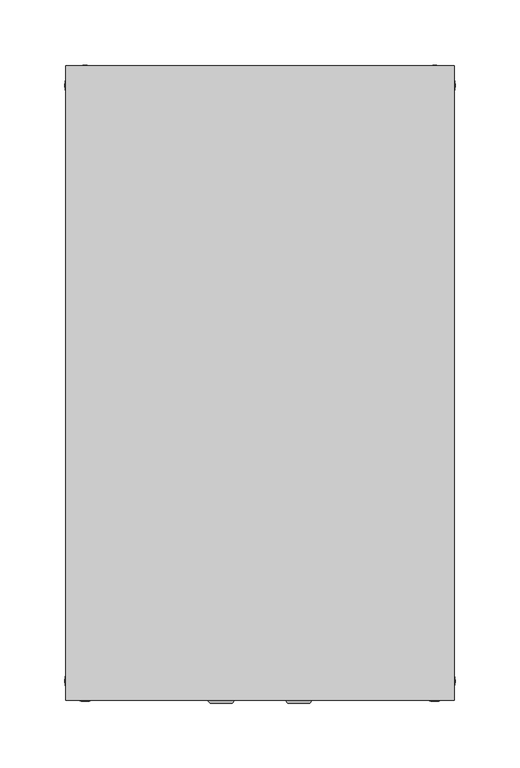
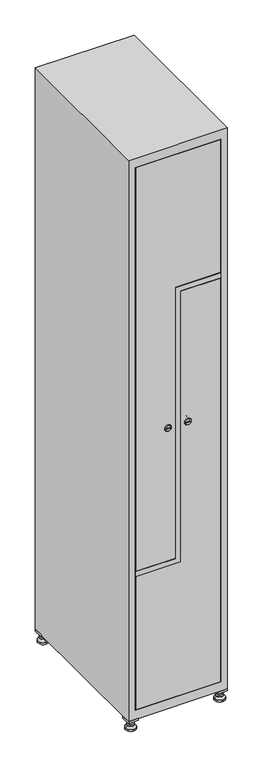
"""IFC4 building model written with IfcOpenShell, lengths in millimetres: furniture geometry."""

from ifc_helpers import new_model, si_unit, point, frame, frame_2d, origin, origin_with_axes, place, context, project, spatial, polyline, circle_curve, trimmed, segment, composite_curve, outline, extrude, faceted_brep, source, transform, mapped, element, save
from ifc_brep_helpers import plane_surface, revolved_surface, advanced_brep


def furniture_01998be9(model_context):
    return source(origin(), model_context, "Body", "SolidModel", [
        extrude(outline(polyline([(100.0, 245.0), (100.0, 215.0), (70.0, 215.0), (70.0, 245.0), (100.0, 245.0)]), holes=[polyline([(98.0, 243.0), (72.0, 243.0), (72.0, 217.0), (98.0, 217.0), (98.0, 243.0)])]), frame((0.0, 0.0, 28.5), z_axis=(0.0, 0.0, 1.0), x_axis=(1.0, 0.0, 0.0)), (0.0, 0.0, 1.0), 6.5),
        extrude(outline(polyline([(70.0, -245.0), (70.0, -215.0), (100.0, -215.0), (100.0, -245.0), (70.0, -245.0)]), holes=[polyline([(72.0, -243.0), (98.0, -243.0), (98.0, -217.0), (72.0, -217.0), (72.0, -243.0)])]), frame((0.0, 0.0, 28.5), z_axis=(0.0, 0.0, 1.0), x_axis=(1.0, 0.0, 0.0)), (0.0, 0.0, 1.0), 6.5),
        extrude(outline(polyline([(-170.0, 245.0), (-170.0, 215.0), (-200.0, 215.0), (-200.0, 245.0), (-170.0, 245.0)]), holes=[polyline([(-172.0, 243.0), (-198.0, 243.0), (-198.0, 217.0), (-172.0, 217.0), (-172.0, 243.0)])]), frame((0.0, 0.0, 28.5), z_axis=(0.0, 0.0, 1.0), x_axis=(1.0, 0.0, 0.0)), (0.0, 0.0, 1.0), 6.5),
        extrude(outline(polyline([(-170.0, -215.0), (-170.0, -245.0), (-200.0, -245.0), (-200.0, -215.0), (-170.0, -215.0)]), holes=[polyline([(-198.0, -243.0), (-172.0, -243.0), (-172.0, -217.0), (-198.0, -217.0), (-198.0, -243.0)])]), frame((0.0, 0.0, 28.5), z_axis=(0.0, 0.0, 1.0), x_axis=(1.0, 0.0, 0.0)), (0.0, 0.0, 1.0), 6.5),
        extrude(outline(composite_curve([segment(trimmed(circle_curve(frame_2d((-185.0, 230.0)), 5.0), [point((-180.0, 230.0))], [point((-190.0, 230.0))], False, "CARTESIAN"), True, "CONTINUOUS"), segment(trimmed(circle_curve(frame_2d((-185.0, 230.0)), 5.0), [point((-190.0, 230.0))], [point((-180.0, 230.0))], False, "CARTESIAN"), True, "CONTINUOUS")], self_intersect=False)), frame((0.0, 0.0, 19.6), z_axis=(0.0, 0.0, 1.0), x_axis=(1.0, 0.0, 0.0)), (0.0, 0.0, 1.0), 15.4),
        extrude(outline(composite_curve([segment(trimmed(circle_curve(frame_2d((-185.0, -230.0)), 5.0), [point((-180.0, -230.0))], [point((-190.0, -230.0))], False, "CARTESIAN"), True, "CONTINUOUS"), segment(trimmed(circle_curve(frame_2d((-185.0, -230.0)), 5.0), [point((-190.0, -230.0))], [point((-180.0, -230.0))], False, "CARTESIAN"), True, "CONTINUOUS")], self_intersect=False)), frame((0.0, 0.0, 19.6), z_axis=(0.0, 0.0, 1.0), x_axis=(1.0, 0.0, 0.0)), (0.0, 0.0, 1.0), 15.4),
        extrude(outline(composite_curve([segment(trimmed(circle_curve(frame_2d((85.0, 230.0)), 5.0), [point((90.0, 230.0))], [point((80.0, 230.0))], False, "CARTESIAN"), True, "CONTINUOUS"), segment(trimmed(circle_curve(frame_2d((85.0, 230.0)), 5.0), [point((80.0, 230.0))], [point((90.0, 230.0))], False, "CARTESIAN"), True, "CONTINUOUS")], self_intersect=False)), frame((0.0, 0.0, 19.6), z_axis=(0.0, 0.0, 1.0), x_axis=(1.0, 0.0, 0.0)), (0.0, 0.0, 1.0), 15.4),
        extrude(outline(polyline([(73.4529946, 230.0), (79.2264973, 240.0), (90.7735027, 240.0), (96.5470054, 230.0), (90.7735027, 220.0), (79.2264973, 220.0), (73.4529946, 230.0)])), frame((0.0, 0.0, 13.6), z_axis=(0.0, 0.0, 1.0), x_axis=(1.0, 0.0, 0.0)), (0.0, 0.0, 1.0), 6.0),
        extrude(outline(composite_curve([segment(trimmed(circle_curve(frame_2d((85.0, -230.0)), 5.0), [point((90.0, -230.0))], [point((80.0, -230.0))], False, "CARTESIAN"), True, "CONTINUOUS"), segment(trimmed(circle_curve(frame_2d((85.0, -230.0)), 5.0), [point((80.0, -230.0))], [point((90.0, -230.0))], False, "CARTESIAN"), True, "CONTINUOUS")], self_intersect=False)), frame((0.0, 0.0, 19.6), z_axis=(0.0, 0.0, 1.0), x_axis=(1.0, 0.0, 0.0)), (0.0, 0.0, 1.0), 15.4),
        extrude(outline(polyline([(73.4529946, -230.0), (79.2264973, -220.0), (90.7735027, -220.0), (96.5470054, -230.0), (90.7735027, -240.0), (79.2264973, -240.0), (73.4529946, -230.0)])), frame((0.0, 0.0, 13.6), z_axis=(0.0, 0.0, 1.0), x_axis=(1.0, 0.0, 0.0)), (0.0, 0.0, 1.0), 6.0),
        extrude(outline(composite_curve([segment(trimmed(circle_curve(frame_2d((85.0, 230.0)), 5.0), [point((90.0, 230.0))], [point((80.0, 230.0))], False, "CARTESIAN"), True, "CONTINUOUS"), segment(trimmed(circle_curve(frame_2d((85.0, 230.0)), 5.0), [point((80.0, 230.0))], [point((90.0, 230.0))], False, "CARTESIAN"), True, "CONTINUOUS")], self_intersect=False)), frame((0.0, 0.0, 12.1), z_axis=(0.0, 0.0, 1.0), x_axis=(1.0, 0.0, 0.0)), (0.0, 0.0, 1.0), 1.5),
        extrude(outline(composite_curve([segment(trimmed(circle_curve(frame_2d((85.0, -230.0)), 5.0), [point((90.0, -230.0))], [point((80.0, -230.0))], False, "CARTESIAN"), True, "CONTINUOUS"), segment(trimmed(circle_curve(frame_2d((85.0, -230.0)), 5.0), [point((80.0, -230.0))], [point((90.0, -230.0))], False, "CARTESIAN"), True, "CONTINUOUS")], self_intersect=False)), frame((0.0, 0.0, 12.1), z_axis=(0.0, 0.0, 1.0), x_axis=(1.0, 0.0, 0.0)), (0.0, 0.0, 1.0), 1.5),
        extrude(outline(polyline([(-196.5470054, 230.0), (-190.7735027, 240.0), (-179.2264973, 240.0), (-173.4529946, 230.0), (-179.2264973, 220.0), (-190.7735027, 220.0), (-196.5470054, 230.0)])), frame((0.0, 0.0, 13.6), z_axis=(0.0, 0.0, 1.0), x_axis=(1.0, 0.0, 0.0)), (0.0, 0.0, 1.0), 6.0),
        extrude(outline(polyline([(-196.5470054, -230.0), (-190.7735027, -220.0), (-179.2264973, -220.0), (-173.4529946, -230.0), (-179.2264973, -240.0), (-190.7735027, -240.0), (-196.5470054, -230.0)])), frame((0.0, 0.0, 13.6), z_axis=(0.0, 0.0, 1.0), x_axis=(1.0, 0.0, 0.0)), (0.0, 0.0, 1.0), 6.0),
        extrude(outline(composite_curve([segment(trimmed(circle_curve(frame_2d((-185.0, 230.0)), 5.0), [point((-185.0, 235.0))], [point((-185.0, 225.0))], False, "CARTESIAN"), True, "CONTINUOUS"), segment(trimmed(circle_curve(frame_2d((-185.0, 230.0)), 5.0), [point((-185.0, 225.0))], [point((-185.0, 235.0))], False, "CARTESIAN"), True, "CONTINUOUS")], self_intersect=False)), frame((0.0, 0.0, 12.1), z_axis=(0.0, 0.0, 1.0), x_axis=(1.0, 0.0, 0.0)), (0.0, 0.0, 1.0), 1.5),
        extrude(outline(composite_curve([segment(trimmed(circle_curve(frame_2d((-185.0, -230.0)), 5.0), [point((-180.0, -230.0))], [point((-190.0, -230.0))], False, "CARTESIAN"), True, "CONTINUOUS"), segment(trimmed(circle_curve(frame_2d((-185.0, -230.0)), 5.0), [point((-190.0, -230.0))], [point((-180.0, -230.0))], False, "CARTESIAN"), True, "CONTINUOUS")], self_intersect=False)), frame((0.0, 0.0, 12.1), z_axis=(0.0, 0.0, 1.0), x_axis=(1.0, 0.0, 0.0)), (0.0, 0.0, 1.0), 1.5),
        extrude(outline(composite_curve([segment(trimmed(circle_curve(frame_2d((85.0, 230.0)), 15.75), [point((100.75, 230.0))], [point((69.25, 230.0))], False, "CARTESIAN"), True, "CONTINUOUS"), segment(trimmed(circle_curve(frame_2d((85.0, 230.0)), 15.75), [point((69.25, 230.0))], [point((100.75, 230.0))], False, "CARTESIAN"), True, "CONTINUOUS")], self_intersect=False)), origin_with_axes(), (0.0, 0.0, 1.0), 5.1),
        extrude(outline(composite_curve([segment(trimmed(circle_curve(frame_2d((85.0, -230.0)), 15.75), [point((85.0, -214.25))], [point((85.0, -245.75))], False, "CARTESIAN"), True, "CONTINUOUS"), segment(trimmed(circle_curve(frame_2d((85.0, -230.0)), 15.75), [point((85.0, -245.75))], [point((85.0, -214.25))], False, "CARTESIAN"), True, "CONTINUOUS")], self_intersect=False)), origin_with_axes(), (0.0, 0.0, 1.0), 5.1),
        extrude(outline(composite_curve([segment(trimmed(circle_curve(frame_2d((-185.0, -230.0)), 15.75), [point((-169.25, -230.0))], [point((-200.75, -230.0))], False, "CARTESIAN"), True, "CONTINUOUS"), segment(trimmed(circle_curve(frame_2d((-185.0, -230.0)), 15.75), [point((-200.75, -230.0))], [point((-169.25, -230.0))], False, "CARTESIAN"), True, "CONTINUOUS")], self_intersect=False)), origin_with_axes(), (0.0, 0.0, 1.0), 5.1),
        extrude(outline(composite_curve([segment(trimmed(circle_curve(frame_2d((-185.0, 230.0)), 15.75), [point((-169.25, 230.0))], [point((-200.75, 230.0))], False, "CARTESIAN"), True, "CONTINUOUS"), segment(trimmed(circle_curve(frame_2d((-185.0, 230.0)), 15.75), [point((-200.75, 230.0))], [point((-169.25, 230.0))], False, "CARTESIAN"), True, "CONTINUOUS")], self_intersect=False)), origin_with_axes(), (0.0, 0.0, 1.0), 5.1),
        advanced_brep(
        [(-185.0, 245.75, 5.1), (-185.0, 214.25, 5.1), (-185.0, 239.5, 12.1), (-185.0, 220.5, 12.1)],
        [
            (0, 1, circle_curve(frame((-185.0, 230.0, 5.1), z_axis=(0.0, 0.0, -1.0), x_axis=(0.0, 1.0, 0.0)), 15.75)),
            (1, 0, circle_curve(frame((-185.0, 230.0, 5.1), z_axis=(0.0, 0.0, -1.0), x_axis=(0.0, -1.0, 0.0)), 15.75)),
            (2, 3, circle_curve(frame((-185.0, 230.0, 12.1), z_axis=(0.0, 0.0, 1.0), x_axis=(0.0, -1.0, 0.0)), 9.5)),
            (3, 2, circle_curve(frame((-185.0, 230.0, 12.1), z_axis=(0.0, 0.0, 1.0), x_axis=(0.0, 1.0, 0.0)), 9.5)),
            (3, 1),
            (0, 2),
        ],
        [
            plane_surface(frame((-185.0, 230.0, 5.1), z_axis=(0.0, 0.0, -1.0), x_axis=(1.0, 0.0, 0.0))),
            plane_surface(frame((-185.0, 230.0, 12.1), z_axis=(0.0, 0.0, 1.0), x_axis=(1.0, 0.0, 0.0))),
            revolved_surface(polyline([(-185.0, 220.5, 12.099999999999998), (-185.0, 214.25, 5.099999999999998)]), (-185.0, 230.0, 22.74), (0.0, 0.0, -1.0)),
            revolved_surface(polyline([(-185.0, 239.5, 12.099999999999998), (-185.0, 245.75, 5.099999999999998)]), (-185.0, 230.0, 22.74), (0.0, 0.0, -1.0)),
        ],
        [
            (0, [[1, 2]]),
            (1, [[3, 4]]),
            (2, [[-4, 5, -1, 6]]),
            (3, [[-3, -6, -2, -5]]),
        ],
    ),
        advanced_brep(
        [(85.0, 245.75, 5.1), (85.0, 214.25, 5.1), (85.0, 239.5, 12.1), (85.0, 220.5, 12.1)],
        [
            (0, 1, circle_curve(frame((85.0, 230.0, 5.1), z_axis=(0.0, 0.0, -1.0), x_axis=(0.0, 1.0, 0.0)), 15.75)),
            (1, 0, circle_curve(frame((85.0, 230.0, 5.1), z_axis=(0.0, 0.0, -1.0), x_axis=(0.0, -1.0, 0.0)), 15.75)),
            (2, 3, circle_curve(frame((85.0, 230.0, 12.1), z_axis=(0.0, 0.0, 1.0), x_axis=(0.0, -1.0, 0.0)), 9.5)),
            (3, 2, circle_curve(frame((85.0, 230.0, 12.1), z_axis=(0.0, 0.0, 1.0), x_axis=(0.0, 1.0, 0.0)), 9.5)),
            (3, 1),
            (0, 2),
        ],
        [
            plane_surface(frame((85.0, 230.0, 5.1), z_axis=(0.0, 0.0, -1.0), x_axis=(1.0, 0.0, 0.0))),
            plane_surface(frame((85.0, 230.0, 12.1), z_axis=(0.0, 0.0, 1.0), x_axis=(1.0, 0.0, 0.0))),
            revolved_surface(polyline([(85.0, 220.5, 12.099999999999998), (85.0, 214.25, 5.099999999999998)]), (85.0, 230.0, 22.74), (0.0, 0.0, -1.0)),
            revolved_surface(polyline([(85.0, 239.5, 12.099999999999998), (85.0, 245.75, 5.099999999999998)]), (85.0, 230.0, 22.74), (0.0, 0.0, -1.0)),
        ],
        [
            (0, [[1, 2]]),
            (1, [[3, 4]]),
            (2, [[-4, 5, -1, 6]]),
            (3, [[-3, -6, -2, -5]]),
        ],
    ),
        advanced_brep(
        [(94.5, -230.0, 12.1), (75.5, -230.0, 12.1), (100.75, -230.0, 5.1), (69.25, -230.0, 5.1)],
        [
            (0, 1, circle_curve(frame((85.0, -230.0, 12.1), z_axis=(0.0, 0.0, 1.0), x_axis=(1.0, 0.0, 0.0)), 9.5)),
            (1, 0, circle_curve(frame((85.0, -230.0, 12.1), z_axis=(0.0, 0.0, 1.0), x_axis=(-1.0, 0.0, 0.0)), 9.5)),
            (2, 3, circle_curve(frame((85.0, -230.0, 5.1), z_axis=(0.0, 0.0, -1.0), x_axis=(-1.0, 0.0, 0.0)), 15.75)),
            (3, 2, circle_curve(frame((85.0, -230.0, 5.1), z_axis=(0.0, 0.0, -1.0), x_axis=(1.0, 0.0, 0.0)), 15.75)),
            (3, 1),
            (0, 2),
        ],
        [
            plane_surface(frame((85.0, -230.0, 12.1), z_axis=(0.0, 0.0, 1.0), x_axis=(0.0, 1.0, 0.0))),
            plane_surface(frame((85.0, -230.0, 5.1), z_axis=(0.0, 0.0, -1.0), x_axis=(0.0, 1.0, 0.0))),
            revolved_surface(polyline([(94.5, -230.0, 12.099999999999998), (100.75, -230.0, 5.099999999999998)]), (85.0, -230.0, 22.74), (0.0, 0.0, -1.0)),
            revolved_surface(polyline([(75.5, -230.0, 12.099999999999998), (69.25, -230.0, 5.099999999999998)]), (85.0, -230.0, 22.74), (0.0, 0.0, -1.0)),
        ],
        [
            (0, [[1, 2]]),
            (1, [[3, 4]]),
            (2, [[-4, 5, -1, 6]]),
            (3, [[-3, -6, -2, -5]]),
        ],
    ),
        advanced_brep(
        [(-175.5, -230.0, 12.1), (-194.5, -230.0, 12.1), (-169.25, -230.0, 5.1), (-200.75, -230.0, 5.1)],
        [
            (0, 1, circle_curve(frame((-185.0, -230.0, 12.1), z_axis=(0.0, 0.0, 1.0), x_axis=(1.0, 0.0, 0.0)), 9.5)),
            (1, 0, circle_curve(frame((-185.0, -230.0, 12.1), z_axis=(0.0, 0.0, 1.0), x_axis=(-1.0, 0.0, 0.0)), 9.5)),
            (2, 3, circle_curve(frame((-185.0, -230.0, 5.1), z_axis=(0.0, 0.0, -1.0), x_axis=(-1.0, 0.0, 0.0)), 15.75)),
            (3, 2, circle_curve(frame((-185.0, -230.0, 5.1), z_axis=(0.0, 0.0, -1.0), x_axis=(1.0, 0.0, 0.0)), 15.75)),
            (3, 1),
            (0, 2),
        ],
        [
            plane_surface(frame((-185.0, -230.0, 12.1), z_axis=(0.0, 0.0, 1.0), x_axis=(0.0, 1.0, 0.0))),
            plane_surface(frame((-185.0, -230.0, 5.1), z_axis=(0.0, 0.0, -1.0), x_axis=(0.0, 1.0, 0.0))),
            revolved_surface(polyline([(-175.5, -230.0, 12.099999999999998), (-169.25, -230.0, 5.099999999999998)]), (-185.0, -230.0, 22.74), (0.0, 0.0, -1.0)),
            revolved_surface(polyline([(-194.5, -230.0, 12.099999999999998), (-200.75, -230.0, 5.099999999999998)]), (-185.0, -230.0, 22.74), (0.0, 0.0, -1.0)),
        ],
        [
            (0, [[1, 2]]),
            (1, [[3, 4]]),
            (2, [[-4, 5, -1, 6]]),
            (3, [[-3, -6, -2, -5]]),
        ],
    ),
        extrude(outline(composite_curve([segment(trimmed(circle_curve(frame_2d((935.0, -53.2010534)), 7.0), [point((928.0, -53.2010534))], [point((942.0, -53.2010534))], False, "CARTESIAN"), True, "CONTINUOUS"), segment(polyline([(942.0, -53.2010534), (942.0, -81.2010534)]), True, "CONTINUOUS"), segment(trimmed(circle_curve(frame_2d((935.0, -81.2010534)), 7.0), [point((942.0, -81.2010534))], [point((928.0, -81.2010534))], False, "CARTESIAN"), True, "CONTINUOUS"), segment(polyline([(928.0, -81.2010534), (928.0, -53.2010534)]), True, "CONTINUOUS")], self_intersect=False)), frame((0.0, -227.0, 0.0), z_axis=(0.0, 1.0, 0.0), x_axis=(0.0, 0.0, 1.0)), (0.0, 0.0, 1.0), 2.0),
        advanced_brep(
        [(-88.5, -247.2, 935.0), (-71.5, -247.2, 935.0), (-75.0, -247.2, 936.25), (-75.0, -247.2, 933.75), (-85.0, -247.2, 933.75), (-85.0, -247.2, 936.25), (-90.5, -245.0, 935.0), (-69.5, -245.0, 935.0), (-75.0, -245.0, 933.75), (-75.0, -245.0, 936.25), (-85.0, -245.0, 936.25), (-85.0, -245.0, 933.75)],
        [
            (0, 1, circle_curve(frame((-80.0, -247.2, 935.0), z_axis=(0.0, -1.0, 0.0), x_axis=(-1.0, 0.0, 0.0)), 8.5)),
            (1, 0, circle_curve(frame((-80.0, -247.2, 935.0), z_axis=(0.0, -1.0, 0.0), x_axis=(1.0, 0.0, 0.0)), 8.5)),
            (2, 3),
            (3, 4),
            (4, 5),
            (5, 2),
            (6, 7, circle_curve(frame((-80.0, -245.0, 935.0), z_axis=(0.0, 1.0, 0.0), x_axis=(1.0, 0.0, 0.0)), 10.5)),
            (7, 6, circle_curve(frame((-80.0, -245.0, 935.0), z_axis=(0.0, 1.0, 0.0), x_axis=(-1.0, 0.0, 0.0)), 10.5)),
            (8, 9),
            (9, 10),
            (10, 11),
            (11, 8),
            (0, 6),
            (7, 1),
            (8, 3),
            (2, 9),
            (11, 4),
            (10, 5),
        ],
        [
            plane_surface(frame((-80.0, -247.2, 935.0), z_axis=(0.0, -1.0, 0.0), x_axis=(0.0, 0.0, -1.0))),
            plane_surface(frame((-80.0, -245.0, 935.0), z_axis=(0.0, 1.0, 0.0), x_axis=(0.0, 0.0, -1.0))),
            revolved_surface(polyline([(-88.50000000000001, -247.2, 935.0), (-90.5, -245.0, 935.0)]), (-80.0, -256.55, 935.0), (0.0, 1.0, 0.0)),
            revolved_surface(polyline([(-71.49999999999999, -247.2, 935.0), (-69.5, -245.0, 935.0)]), (-80.0, -256.55, 935.0), (0.0, 1.0, 0.0)),
            plane_surface(frame((-75.0, -245.0, 936.25), z_axis=(-1.0, 0.0, 0.0), x_axis=(0.0, -1.0, 0.0))),
            plane_surface(frame((-75.0, -245.0, 933.75), z_axis=(0.0, 0.0, 1.0), x_axis=(0.0, -1.0, 0.0))),
            plane_surface(frame((-85.0, -245.0, 933.75), z_axis=(1.0, 0.0, 0.0), x_axis=(0.0, -1.0, 0.0))),
            plane_surface(frame((-85.0, -245.0, 936.25), z_axis=(0.0, 0.0, -1.0), x_axis=(0.0, -1.0, 0.0))),
        ],
        [
            (0, [[1, 2], [3, 4, 5, 6]]),
            (1, [[7, 8], [9, 10, 11, 12]]),
            (2, [[-1, 13, -8, 14]]),
            (3, [[-2, -14, -7, -13]]),
            (4, [[15, -3, 16, -9]]),
            (5, [[-15, -12, 17, -4]]),
            (6, [[-17, -11, 18, -5]]),
            (7, [[-16, -6, -18, -10]]),
        ],
    ),
        extrude(outline(polyline([(1803.8, -178.6), (509.6, -178.6), (509.6, -59.0), (1378.4, -59.0), (1378.4, 78.6), (1803.8, 78.6), (1803.8, -178.6)])), frame((0.0, -245.0, 0.0), z_axis=(0.0, 1.0, 0.0), x_axis=(0.0, 0.0, 1.0)), (0.0, 0.0, 1.0), 18.0),
        extrude(outline(composite_curve([segment(trimmed(circle_curve(frame_2d((935.0, -46.7989466)), 7.0), [point((942.0, -46.7989466))], [point((928.0, -46.7989466))], False, "CARTESIAN"), True, "CONTINUOUS"), segment(polyline([(928.0, -46.7989466), (928.0, -18.7989466)]), True, "CONTINUOUS"), segment(trimmed(circle_curve(frame_2d((935.0, -18.7989466)), 7.0), [point((928.0, -18.7989466))], [point((942.0, -18.7989466))], False, "CARTESIAN"), True, "CONTINUOUS"), segment(polyline([(942.0, -18.7989466), (942.0, -46.7989466)]), True, "CONTINUOUS")], self_intersect=False)), frame((0.0, -227.0, 0.0), z_axis=(0.0, 1.0, 0.0), x_axis=(0.0, 0.0, 1.0)), (0.0, 0.0, 1.0), 2.0),
        advanced_brep(
        [(-11.5, -247.2, 935.0), (-28.5, -247.2, 935.0), (-25.0, -247.2, 933.75), (-25.0, -247.2, 936.25), (-15.0, -247.2, 936.25), (-15.0, -247.2, 933.75), (-9.5, -245.0, 935.0), (-30.5, -245.0, 935.0), (-25.0, -245.0, 936.25), (-25.0, -245.0, 933.75), (-15.0, -245.0, 933.75), (-15.0, -245.0, 936.25)],
        [
            (0, 1, circle_curve(frame((-20.0, -247.2, 935.0), z_axis=(0.0, -1.0, 0.0), x_axis=(1.0, 0.0, 0.0)), 8.5)),
            (1, 0, circle_curve(frame((-20.0, -247.2, 935.0), z_axis=(0.0, -1.0, 0.0), x_axis=(-1.0, 0.0, 0.0)), 8.5)),
            (2, 3),
            (3, 4),
            (4, 5),
            (5, 2),
            (6, 7, circle_curve(frame((-20.0, -245.0, 935.0), z_axis=(0.0, 1.0, 0.0), x_axis=(-1.0, 0.0, 0.0)), 10.5)),
            (7, 6, circle_curve(frame((-20.0, -245.0, 935.0), z_axis=(0.0, 1.0, 0.0), x_axis=(1.0, 0.0, 0.0)), 10.5)),
            (8, 9),
            (9, 10),
            (10, 11),
            (11, 8),
            (0, 6),
            (7, 1),
            (8, 3),
            (2, 9),
            (11, 4),
            (10, 5),
        ],
        [
            plane_surface(frame((-20.0, -247.2, 935.0), z_axis=(0.0, -1.0, 0.0), x_axis=(0.0, 0.0, 1.0))),
            plane_surface(frame((-20.0, -245.0, 935.0), z_axis=(0.0, 1.0, 0.0), x_axis=(0.0, 0.0, 1.0))),
            revolved_surface(polyline([(-11.499999999999988, -247.2, 935.0), (-9.5, -245.0, 935.0)]), (-20.0, -256.55, 935.0), (0.0, 1.0, 0.0)),
            revolved_surface(polyline([(-28.500000000000014, -247.2, 935.0), (-30.5, -245.0, 935.0)]), (-20.0, -256.55, 935.0), (0.0, 1.0, 0.0)),
            plane_surface(frame((-25.0, -245.0, 933.75), z_axis=(1.0, 0.0, 0.0), x_axis=(0.0, -1.0, 0.0))),
            plane_surface(frame((-25.0, -245.0, 936.25), z_axis=(0.0, 0.0, -1.0), x_axis=(0.0, -1.0, 0.0))),
            plane_surface(frame((-15.0, -245.0, 936.25), z_axis=(-1.0, 0.0, 0.0), x_axis=(0.0, -1.0, 0.0))),
            plane_surface(frame((-15.0, -245.0, 933.75), z_axis=(0.0, 0.0, 1.0), x_axis=(0.0, -1.0, 0.0))),
        ],
        [
            (0, [[1, 2], [3, 4, 5, 6]]),
            (1, [[7, 8], [9, 10, 11, 12]]),
            (2, [[-1, 13, -8, 14]]),
            (3, [[-2, -14, -7, -13]]),
            (4, [[15, -3, 16, -9]]),
            (5, [[-15, -12, 17, -4]]),
            (6, [[-17, -11, 18, -5]]),
            (7, [[-16, -6, -18, -10]]),
        ],
    ),
        extrude(outline(polyline([(66.2, 78.6), (1360.4, 78.6), (1360.4, -41.0), (491.6, -41.0), (491.6, -178.6), (66.2, -178.6), (66.2, 78.6)])), frame((0.0, -245.0, 0.0), z_axis=(0.0, 1.0, 0.0), x_axis=(0.0, 0.0, 1.0)), (0.0, 0.0, 1.0), 18.0),
        extrude(outline(polyline([(1361.4, 79.6), (1377.4, 79.6), (1377.4, -58.0), (508.6, -58.0), (508.6, -179.6), (492.6, -179.6), (492.6, -42.0), (1361.4, -42.0), (1361.4, 79.6)])), frame((0.0, -245.0, 0.0), z_axis=(0.0, 1.0, 0.0), x_axis=(0.0, 0.0, 1.0)), (0.0, 0.0, 1.0), 487.0),
        faceted_brep([(100.0, -245.0, 35.0), (100.0, -245.0, 1835.0), (-200.0, -245.0, 1835.0), (-200.0, -245.0, 35.0), (79.6, -245.0, 1804.8), (79.6, -245.0, 65.2), (-179.6, -245.0, 65.2), (-179.6, -245.0, 1804.8), (100.0, 245.0, 35.0), (-200.0, 245.0, 35.0), (100.0, 245.0, 1835.0), (-200.0, 245.0, 1835.0), (79.6, 242.0, 1804.8), (79.6, 242.0, 65.2), (-200.0, 245.0, 1804.8), (-179.6, 242.0, 1804.8), (-179.6, 242.0, 65.2)], [[[0, 1, 2, 3], [4, 5, 6, 7]], [[8, 0, 3, 9]], [[1, 0, 8, 10]], [[1, 10, 11, 2]], [[4, 12, 13, 5]], [[9, 3, 2, 11, 14]], [[10, 8, 9, 14, 11]], [[12, 15, 16, 13]], [[15, 7, 6, 16]], [[4, 7, 15, 12]], [[6, 5, 13, 16]]]),
    ])


if __name__ == "__main__":
    model = new_model("IFC4")
    model_context = context("Model", 3, world=origin())
    ifc_project = project(units=[si_unit("LENGTHUNIT", "METRE", prefix="MILLI")], contexts=[model_context])
    site = spatial("IfcSite", under=ifc_project)
    building = spatial("IfcBuilding", under=site)
    placement = place(None, origin())
    furniture_shape = furniture_01998be9(model_context)
    element("IfcFurniture", 1, at=placement, inside=building, context=model_context, shape_type="MappedRepresentation", body=[
        mapped(furniture_shape, transform((0.0, 0.0, 0.0), x_axis=(1.0, 0.0, 0.0), y_axis=(0.0, 1.0, 0.0), z_axis=(0.0, 0.0, 1.0))),
    ])
    save(model, "model.ifc")
